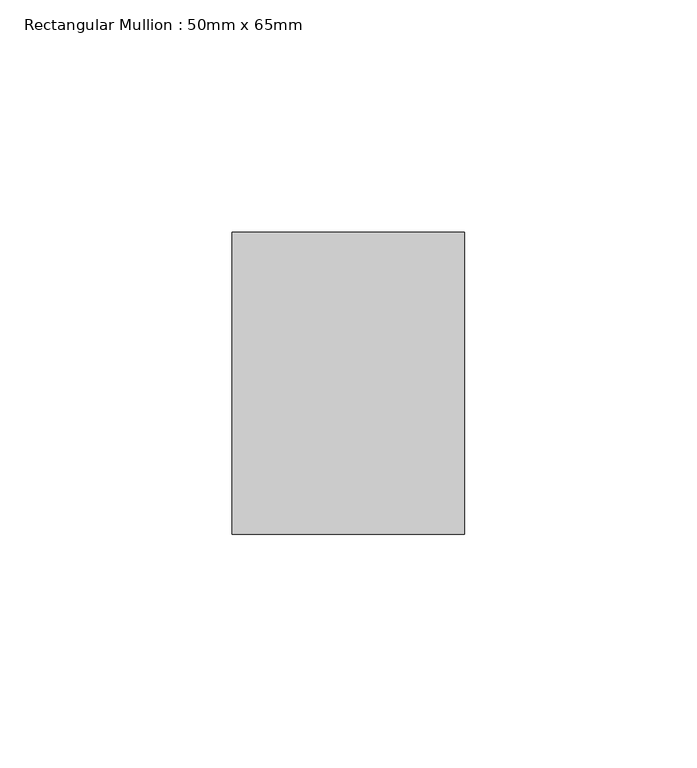
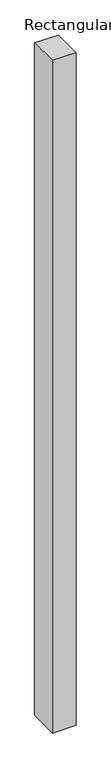
"""IFC4 building model written with IfcOpenShell, lengths in millimetres: member geometry, Rectangular Mullion : 50mm x 65mm."""

from ifc_helpers import new_model, si_unit, origin, place, context, project, spatial, faceted_brep, source, transform, mapped, element, save


def rectangular_mullion_50mm_x_65mm_7d0de482(model_context):
    return source(origin(), model_context, "Body", "Brep", [
        faceted_brep([(-25.0, 32.5, -0.1073316), (25.0, 32.5, -0.1073313), (25.0, 32.5, -1499.955832), (-25.0, 32.5, -1499.9558318), (-25.0, -32.5, 0.1073313), (-25.0, -32.5, -1500.0445061), (25.0, -32.5, 0.1073316), (25.0, -32.5, -1500.0445063)], [[[0, 1, 2, 3]], [[4, 0, 3, 5]], [[6, 4, 5, 7]], [[1, 6, 7, 2]], [[1, 0, 4, 6]], [[2, 7, 5, 3]]]),
    ])


if __name__ == "__main__":
    model = new_model("IFC4")
    model_context = context("Model", 3, world=origin())
    ifc_project = project(units=[si_unit("LENGTHUNIT", "METRE", prefix="MILLI")], contexts=[model_context])
    site = spatial("IfcSite", under=ifc_project)
    building = spatial("IfcBuilding", under=site)
    placement = place(None, origin())
    rectangular_mullion_50mm_x_65mm_shape = rectangular_mullion_50mm_x_65mm_7d0de482(model_context)
    element("IfcMember", 1, ObjectType="Rectangular Mullion : 50mm x 65mm", at=placement, inside=building, context=model_context, shape_type="MappedRepresentation", body=[
        mapped(rectangular_mullion_50mm_x_65mm_shape, transform((0.0, 0.0, 0.0), x_axis=(1.0, 0.0, 0.0), y_axis=(0.0, 1.0, 0.0), z_axis=(0.0, 0.0, 1.0))),
    ])
    save(model, "model.ifc")
